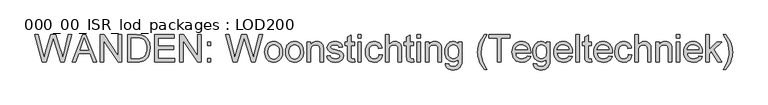
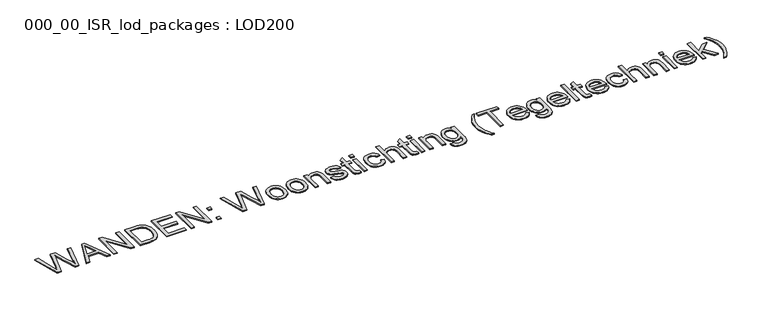
"""IFC4 building model written with IfcOpenShell, lengths in millimetres: proxy geometry, 000_00_ISR_lod_packages : LOD200."""

from ifc_helpers import new_model, si_unit, origin, origin_with_axes, place, context, project, spatial, polyline, outline, extrude, source, transform, mapped, element, save


def proxy_000_00_isr_lod_packages_lod200_f51c58be(model_context):
    return source(origin(), model_context, "Body", "SweptSolid", [
        extrude(outline(polyline([(730.4878058, 500.0), (512.4904484, 1299.3886983), (615.5366478, 1299.3886983), (742.002438, 774.009212), (781.0350893, 611.8285459), (822.8000261, 755.2735394), (981.2725904, 1299.3886983), (1129.7918285, 1299.3886983), (1244.9381498, 904.9637571), (1294.2656629, 758.5913148), (1330.6148194, 611.8285459), (1368.4764911, 769.3252939), (1496.1132608, 1299.3886983), (1599.1594602, 1299.3886983), (1380.9669395, 500.0), (1274.2126383, 500.0), (1082.5623204, 1116.7158903), (1055.8249543, 1202.7828864), (1025.7698128, 1099.1511972), (851.0986983, 500.0), (730.4878058, 500.0)])), origin_with_axes(), (0.0, 0.0, 1.0), 25.0),
        extrude(outline(polyline([(1605.9901742, 500.0), (1925.0820985, 1299.3886983), (2010.1732783, 1299.3886983), (2329.2652025, 500.0), (2223.6818808, 500.0), (2132.1503135, 749.8089682), (1802.9098999, 749.8089682), (1711.5734959, 500.0), (1605.9901742, 500.0)]), holes=[polyline([(1839.6005921, 849.7325555), (2095.6547846, 849.7325555), (2023.639543, 1046.2619548), (1967.6276884, 1199.465111), (1917.861058, 1063.4363213), (1839.6005921, 849.7325555)])]), origin_with_axes(), (0.0, 0.0, 1.0), 25.0),
        extrude(outline(polyline([(2436.0195038, 500.0), (2436.0195038, 1299.3886983), (2542.9689683, 1299.3886983), (2960.6183371, 666.0839312), (2960.6183371, 1299.3886983), (3060.5419244, 1299.3886983), (3060.5419244, 500.0), (2953.5924599, 500.0), (2535.9430911, 1133.4999304), (2535.9430911, 500.0), (2436.0195038, 500.0)])), origin_with_axes(), (0.0, 0.0, 1.0), 25.0),
        extrude(outline(polyline([(3235.4082021, 500.0), (3235.4082021, 1299.3886983), (3511.1738835, 1299.3886983), (3593.5815685, 1296.5100403), (3653.8382239, 1287.8740662), (3686.9427913, 1278.3720552), (3717.5590272, 1265.6742458), (3745.6869315, 1249.7806381), (3771.3265043, 1230.6912321), (3800.9547262, 1202.099815), (3826.6064967, 1169.8002961), (3848.2818159, 1133.7926753), (3865.9806837, 1094.0769526), (3879.7274955, 1051.0190591), (3889.5466469, 1004.984926), (3895.4381377, 955.9745532), (3897.401968, 903.9879408), (3892.0837692, 818.1892942), (3876.129173, 742.6855094), (3851.8313476, 678.4036118), (3821.4834612, 626.2706269), (3786.5492383, 585.1155752), (3748.4924033, 553.7674771), (3704.8002293, 530.5186542), (3652.9599893, 513.661428), (3592.8741017, 503.415357), (3524.4449849, 500.0), (3235.4082021, 500.0)]), holes=[polyline([(3335.3317894, 599.9235873), (3512.1496998, 599.9235873), (3585.2871301, 603.5341075), (3640.7622857, 614.3656683), (3682.6248043, 631.7839889), (3714.9243232, 655.1547889), (3733.3611521, 675.1895169), (3749.6389874, 698.4078456), (3763.7578293, 724.8097749), (3775.7176776, 754.3953048), (3785.2379852, 787.2254238), (3792.0382049, 823.3611205), (3797.4783807, 905.5492469), (3794.8131824, 963.5615248), (3786.8175878, 1014.450344), (3773.4915967, 1058.2157042), (3754.8352091, 1094.8576056), (3732.3609404, 1125.205492), (3707.5813057, 1150.0888072), (3680.496305, 1169.5075512), (3651.1059383, 1183.461724), (3625.7103196, 1190.4632058), (3593.6303593, 1195.4642643), (3509.4174142, 1199.465111), (3335.3317894, 1199.465111), (3335.3317894, 599.9235873)])]), origin_with_axes(), (0.0, 0.0, 1.0), 25.0),
        extrude(outline(polyline([(4034.7969005, 500.0), (4034.7969005, 1299.3886983), (4609.3575274, 1299.3886983), (4609.3575274, 1199.465111), (4134.7204878, 1199.465111), (4134.7204878, 962.1465912), (4584.3766306, 962.1465912), (4584.3766306, 862.2230039), (4134.7204878, 862.2230039), (4134.7204878, 599.9235873), (4621.8479758, 599.9235873), (4621.8479758, 500.0), (4034.7969005, 500.0)])), origin_with_axes(), (0.0, 0.0, 1.0), 25.0),
        extrude(outline(polyline([(4771.7333568, 500.0), (4771.7333568, 1299.3886983), (4878.6828213, 1299.3886983), (5296.3321901, 666.0839312), (5296.3321901, 1299.3886983), (5396.2557773, 1299.3886983), (5396.2557773, 500.0), (5289.3063128, 500.0), (4871.6569441, 1133.4999304), (4871.6569441, 500.0), (4771.7333568, 500.0)])), origin_with_axes(), (0.0, 0.0, 1.0), 25.0),
        extrude(outline(polyline([(5583.6125035, 500.0), (5583.6125035, 599.9235873), (5683.5360908, 599.9235873), (5683.5360908, 500.0), (5583.6125035, 500.0)])), origin_with_axes(), (0.0, 0.0, 1.0), 25.0),
        extrude(outline(polyline([(5583.6125035, 987.1274881), (5583.6125035, 1087.0510753), (5683.5360908, 1087.0510753), (5683.5360908, 987.1274881), (5583.6125035, 987.1274881)])), origin_with_axes(), (0.0, 0.0, 1.0), 25.0),
        extrude(outline(polyline([(6338.6991427, 500.0), (6120.7017852, 1299.3886983), (6223.7479846, 1299.3886983), (6350.2137748, 774.009212), (6389.2464261, 611.8285459), (6431.0113629, 755.2735394), (6589.4839272, 1299.3886983), (6738.0031653, 1299.3886983), (6853.1494866, 904.9637571), (6902.4769997, 758.5913148), (6938.8261562, 611.8285459), (6976.6878279, 769.3252939), (7104.3245976, 1299.3886983), (7207.370797, 1299.3886983), (6989.1782763, 500.0), (6882.4239751, 500.0), (6690.7736573, 1116.7158903), (6664.0362911, 1202.7828864), (6633.9811496, 1099.1511972), (6459.3100351, 500.0), (6338.6991427, 500.0)])), origin_with_axes(), (0.0, 0.0, 1.0), 25.0),
        extrude(outline(polyline([(7269.8230391, 793.5255377), (7275.2266217, 869.5538238), (7281.9811001, 903.6250591), (7291.4373697, 935.0676894), (7303.5954307, 963.8817146), (7318.455283, 990.0671346), (7336.0169267, 1013.6239495), (7356.2803617, 1034.5521594), (7394.3615921, 1062.9850063), (7436.3948784, 1083.2941827), (7482.3802207, 1095.4796885), (7532.317619, 1099.5415238), (7587.4451401, 1094.595355), (7637.2910555, 1079.7568486), (7681.8553654, 1055.0260047), (7721.1380696, 1020.4028233), (7753.1997333, 977.0582838), (7776.1009217, 926.1633658), (7789.8416347, 867.7180694), (7794.4218724, 801.7223944), (7792.3970536, 748.2354645), (7786.3225972, 700.7742001), (7776.1985033, 659.3386012), (7762.0247718, 623.9286678), (7743.9782694, 593.3429262), (7722.2358629, 566.3799026), (7696.7975522, 543.0395969), (7667.6633373, 523.3220091), (7635.9676047, 507.654059), (7602.8447408, 496.462666), (7568.2947455, 489.7478302), (7532.317619, 487.5095516), (7476.3850495, 492.4374238), (7426.0756213, 507.2210405), (7381.3893344, 531.8604016), (7342.3261888, 566.3555072), (7310.6060608, 610.1208674), (7287.9488265, 662.5709926), (7274.3544859, 723.7058827), (7269.8230391, 793.5255377)]), holes=[polyline([(7369.7466264, 793.7207009), (7372.6374821, 745.253126), (7381.3100493, 703.286927), (7395.764328, 667.822104), (7416.0003182, 638.858657), (7440.6152839, 616.3599928), (7468.2064892, 600.2895184), (7498.7739343, 590.6472338), (7532.317619, 587.4331389), (7565.6905358, 590.6655303), (7596.1360038, 600.3627046), (7623.654023, 616.5246618), (7648.2445933, 639.1514018), (7668.4805835, 668.4014949), (7682.9348621, 704.4335111), (7691.6074293, 747.2474505), (7694.4982851, 796.843313), (7691.5891328, 843.7739774), (7682.8616759, 884.642383), (7668.3159145, 919.44853), (7647.9518484, 948.1924184), (7623.2697953, 970.6910825), (7595.7700727, 986.7615569), (7565.4526806, 996.4038416), (7532.317619, 999.6179365), (7498.7739343, 996.4160393), (7468.2064892, 986.8103478), (7440.6152839, 970.8008619), (7416.0003182, 948.3875817), (7395.764328, 919.5095186), (7381.3100493, 884.1056841), (7372.6374821, 842.1760782), (7369.7466264, 793.7207009)])]), origin_with_axes(), (0.0, 0.0, 1.0), 25.0),
        extrude(outline(polyline([(7881.8550113, 793.5255377), (7887.2585939, 869.5538238), (7894.0130722, 903.6250591), (7903.4693419, 935.0676894), (7915.6274029, 963.8817146), (7930.4872552, 990.0671346), (7948.0488989, 1013.6239495), (7968.3123339, 1034.5521594), (8006.3935643, 1062.9850063), (8048.4268506, 1083.2941827), (8094.4121929, 1095.4796885), (8144.3495912, 1099.5415238), (8199.4771122, 1094.595355), (8249.3230277, 1079.7568486), (8293.8873375, 1055.0260047), (8333.1700417, 1020.4028233), (8365.2317055, 977.0582838), (8388.1328938, 926.1633658), (8401.8736069, 867.7180694), (8406.4538445, 801.7223944), (8404.4290258, 748.2354645), (8398.3545694, 700.7742001), (8388.2304755, 659.3386012), (8374.056744, 623.9286678), (8356.0102416, 593.3429262), (8334.2678351, 566.3799026), (8308.8295244, 543.0395969), (8279.6953095, 523.3220091), (8247.9995769, 507.654059), (8214.8767129, 496.462666), (8180.3267177, 489.7478302), (8144.3495912, 487.5095516), (8088.4170216, 492.4374238), (8038.1075934, 507.2210405), (7993.4213066, 531.8604016), (7954.358161, 566.3555072), (7922.638033, 610.1208674), (7899.9807987, 662.5709926), (7886.3864581, 723.7058827), (7881.8550113, 793.5255377)]), holes=[polyline([(7981.7785985, 793.7207009), (7984.6694543, 745.253126), (7993.3420215, 703.286927), (8007.7963002, 667.822104), (8028.0322903, 638.858657), (8052.647256, 616.3599928), (8080.2384614, 600.2895184), (8110.8059065, 590.6472338), (8144.3495912, 587.4331389), (8177.722508, 590.6655303), (8208.167976, 600.3627046), (8235.6859952, 616.5246618), (8260.2765655, 639.1514018), (8280.5125556, 668.4014949), (8294.9668343, 704.4335111), (8303.6394015, 747.2474505), (8306.5302572, 796.843313), (8303.621105, 843.7739774), (8294.8936481, 884.642383), (8280.3478866, 919.44853), (8259.9838206, 948.1924184), (8235.3017675, 970.6910825), (8207.8020449, 986.7615569), (8177.4846528, 996.4038416), (8144.3495912, 999.6179365), (8110.8059065, 996.4160393), (8080.2384614, 986.8103478), (8052.647256, 970.8008619), (8028.0322903, 948.3875817), (8007.7963002, 919.5095186), (7993.3420215, 884.1056841), (7984.6694543, 842.1760782), (7981.7785985, 793.7207009)])]), origin_with_axes(), (0.0, 0.0, 1.0), 25.0),
        extrude(outline(polyline([(8518.8678802, 500.0), (8518.8678802, 1087.0510753), (8618.7914675, 1087.0510753), (8618.7914675, 1005.0825076), (8635.2766639, 1027.2213395), (8653.5061318, 1046.4083272), (8673.4798713, 1062.6434706), (8695.1978824, 1075.9267697), (8718.6601652, 1086.2582246), (8743.8667195, 1093.6378352), (8799.512643, 1099.5415238), (8848.7669698, 1094.7844194), (8893.8740775, 1080.5131063), (8931.4917952, 1058.5084491), (8958.2779521, 1030.5513126), (8976.4525304, 996.714883), (8988.235512, 957.0723466), (8992.1875679, 919.161884), (8993.5049199, 860.4665346), (8993.5049199, 500.0), (8893.5813326, 500.0), (8893.5813326, 847.0002699), (8890.7026746, 898.6697421), (8882.0667005, 935.4092251), (8866.1364997, 961.7318693), (8841.3751615, 982.150825), (8809.6367369, 995.2511586), (8772.7752769, 999.6179365), (8742.4334893, 997.1661981), (8714.2506953, 989.8109828), (8688.2268949, 977.5522908), (8664.3620879, 960.3901219), (8644.4249415, 936.3728437), (8630.1841226, 903.5488235), (8621.6396313, 861.9180613), (8618.7914675, 811.4805573), (8618.7914675, 500.0), (8518.8678802, 500.0)])), origin_with_axes(), (0.0, 0.0, 1.0), 25.0),
        extrude(outline(polyline([(9093.4285072, 674.8662778), (9193.3520945, 687.3567262), (9199.3899577, 664.571416), (9209.1115274, 644.615973), (9222.5168036, 627.4903973), (9239.6057862, 613.1946887), (9260.4272662, 601.9240107), (9285.0300342, 593.8735263), (9313.4140903, 589.0432357), (9345.5794345, 587.4331389), (9377.7081856, 588.909061), (9405.3969726, 593.3368274), (9428.6457955, 600.716438), (9447.4546543, 611.0478929), (9461.9699215, 623.3675735), (9472.3379695, 636.7118611), (9478.5587983, 651.0807559), (9480.6324079, 666.4742577), (9478.5466006, 679.9649178), (9472.2891787, 691.9430627), (9461.8601422, 702.4086923), (9447.2594911, 711.3618067), (9409.8369367, 724.0474184), (9344.4084549, 739.8556422), (9253.2184234, 766.2270772), (9193.9375842, 788.7440379), (9155.8563538, 813.3102128), (9140.749498, 828.5756388), (9128.2651484, 845.8292904), (9111.5055038, 884.2276611), (9105.9189556, 926.4317153), (9110.4077105, 965.1472263), (9123.8739752, 1000.8864976), (9145.0979793, 1032.2345957), (9172.8599525, 1057.7765869), (9200.4511579, 1073.8531601), (9236.3855925, 1087.3438202), (9277.9309707, 1096.4920979), (9322.355007, 1099.5415238), (9387.3931622, 1094.6380469), (9443.9417157, 1079.9276165), (9489.4147545, 1056.8495614), (9507.0282384, 1042.712423), (9521.2263653, 1026.8432107), (9542.303997, 987.6885824), (9555.5750984, 937.1656944), (9455.6515111, 924.675246), (9450.8883079, 941.3678033), (9443.0390857, 956.1209257), (9432.1038445, 968.9346132), (9418.0825843, 979.8088659), (9400.9143165, 988.4753343), (9380.5380528, 994.6656688), (9330.1615372, 999.6179365), (9272.7835398, 994.8852275), (9251.2667908, 988.9693413), (9234.5315416, 980.6871006), (9213.0147926, 960.1949587), (9207.6356053, 948.7779082), (9205.8425429, 936.5802046), (9208.8187825, 921.2110982), (9217.7475015, 907.5008794), (9233.0190263, 895.2543851), (9255.0236835, 885.4474315), (9341.0906796, 864.1746365), (9429.3776577, 838.071551), (9487.7558668, 817.1402917), (9526.4957732, 794.6477264), (9555.8678433, 763.8607227), (9566.6689098, 745.332411), (9574.3839572, 724.681699), (9579.0129857, 701.9085865), (9580.5559952, 677.0130736), (9578.7446363, 652.0077814), (9573.3105593, 627.7343513), (9564.2537645, 604.1927835), (9551.5742516, 581.3830779), (9535.4793818, 560.2139635), (9516.176516, 541.594169), (9493.6656542, 525.5236946), (9467.9467963, 512.0025403), (9439.7213103, 501.2868577), (9409.6905642, 493.6327988), (9377.854558, 489.0403634), (9344.2132917, 487.5095516), (9290.4336168, 490.4613958), (9243.4602606, 499.3169286), (9203.2932228, 514.0761499), (9169.9325037, 534.7390596), (9142.682834, 561.2080763), (9120.8489447, 593.3856182), (9104.4308358, 631.2716854), (9093.4285072, 674.8662778)])), origin_with_axes(), (0.0, 0.0, 1.0), 25.0),
        extrude(outline(polyline([(9905.3076539, 583.3347105), (9917.7981023, 497.0725512), (9878.2287521, 489.9003015), (9843.0505751, 487.5095516), (9795.0892049, 491.6567708), (9759.3255381, 504.0984284), (9734.0518964, 523.2732183), (9717.5606012, 547.6198346), (9708.4855098, 589.4335623), (9705.4604793, 661.0096866), (9705.4604793, 987.1274881), (9630.5177889, 987.1274881), (9630.5177889, 1087.0510753), (9705.4604793, 1087.0510753), (9705.4604793, 1229.7154158), (9805.3840666, 1288.459556), (9805.3840666, 1087.0510753), (9905.3076539, 1087.0510753), (9905.3076539, 987.1274881), (9805.3840666, 987.1274881), (9805.3840666, 663.9371354), (9806.7014186, 631.0521267), (9810.6534746, 612.4140357), (9817.5573748, 602.0947785), (9827.7302595, 594.1662712), (9842.1479451, 589.116422), (9861.7862477, 587.4331389), (9905.3076539, 583.3347105)])), origin_with_axes(), (0.0, 0.0, 1.0), 25.0),
        extrude(outline(polyline([(10005.2312412, 500.0), (10005.2312412, 1087.0510753), (10105.1548285, 1087.0510753), (10105.1548285, 500.0), (10005.2312412, 500.0)])), origin_with_axes(), (0.0, 0.0, 1.0), 25.0),
        extrude(outline(polyline([(10005.2312412, 1199.465111), (10005.2312412, 1299.3886983), (10105.1548285, 1299.3886983), (10105.1548285, 1199.465111), (10005.2312412, 1199.465111)])), origin_with_axes(), (0.0, 0.0, 1.0), 25.0),
        extrude(outline(polyline([(10629.7536618, 712.337623), (10729.6772491, 699.8471746), (10718.8090953, 652.6969516), (10701.8176942, 610.9747067), (10678.7030461, 574.6804398), (10649.4651507, 543.8141511), (10615.3359762, 519.1808888), (10577.5474907, 501.5857015), (10536.0996941, 491.0285891), (10490.9925865, 487.5095516), (10434.9502376, 492.4191273), (10384.7017979, 507.1478543), (10340.2472674, 531.6957326), (10301.5866461, 566.0627623), (10270.2934377, 609.602465), (10247.941146, 661.6683625), (10234.529771, 722.2604548), (10230.0593126, 791.3787419), (10231.9682532, 837.3213922), (10237.695075, 880.3000006), (10247.239778, 920.314567), (10260.6023623, 957.3650914), (10277.8743105, 990.707514), (10299.1471054, 1019.5977748), (10324.4207471, 1044.0358739), (10353.6952356, 1064.0218111), (10385.64712, 1079.5616854), (10418.9529495, 1090.6615956), (10453.612724, 1097.3215417), (10489.6264437, 1099.5415238), (10533.9589972, 1096.4920979), (10574.0589475, 1087.3438202), (10609.9262947, 1072.0966908), (10641.5610388, 1050.7507096), (10668.4264808, 1023.7937849), (10689.9859218, 991.7138246), (10706.2393618, 954.5108288), (10717.1868007, 912.1847976), (10617.2632134, 899.6943492), (10609.462782, 923.0346549), (10599.137426, 943.2889416), (10586.2871453, 960.4572093), (10570.91194, 974.539458), (10553.4021366, 985.5112923), (10534.1480616, 993.3483169), (10513.1497149, 998.0505316), (10490.4070967, 999.6179365), (10456.4547889, 996.5319175), (10425.8324542, 987.2738605), (10398.5400926, 971.8437655), (10374.577704, 950.2416326), (10355.0674772, 921.9673558), (10341.1316009, 886.5208294), (10332.7700752, 843.9020532), (10329.9828999, 794.1110274), (10332.7090867, 743.5698429), (10340.8876469, 700.4570598), (10354.5185806, 664.7726781), (10373.6018877, 636.5166979), (10397.0885659, 615.0426408), (10423.9296125, 599.7040286), (10454.1250276, 590.5008613), (10487.6748111, 587.4331389), (10514.711021, 589.3481783), (10539.4174695, 595.0932967), (10561.7941566, 604.668494), (10581.8410823, 618.0737701), (10598.9971524, 635.4554977), (10612.7012723, 656.960049), (10622.9534421, 682.5874241), (10629.7536618, 712.337623)])), origin_with_axes(), (0.0, 0.0, 1.0), 25.0),
        extrude(outline(polyline([(10817.110388, 500.0), (10817.110388, 1299.3886983), (10917.0339753, 1299.3886983), (10917.0339753, 1005.4728342), (10953.7368652, 1046.6278859), (10994.9529054, 1076.0243514), (11040.6820959, 1093.6622307), (11090.9244367, 1099.5415238), (11122.1627555, 1097.9375257), (11151.2786738, 1093.1255317), (11178.2721917, 1085.1055416), (11203.1433092, 1073.8775555), (11225.2577457, 1059.8197022), (11243.9812206, 1043.3101105), (11259.3137339, 1024.3487804), (11271.2552857, 1002.9357118), (11280.2205978, 977.747454), (11286.6243921, 947.4605562), (11291.7474276, 871.5908402), (11291.7474276, 500.0), (11191.8238403, 500.0), (11191.8238403, 861.2471877), (11189.8356146, 894.9860356), (11183.8709376, 923.7970113), (11173.9298093, 947.6801148), (11160.0122295, 966.6353461), (11142.4475364, 981.0652294), (11121.565068, 991.3722889), (11097.3648242, 997.5565246), (11069.8468051, 999.6179365), (11027.6183554, 994.0557837), (10987.975819, 977.3693252), (10970.1793695, 965.2570056), (10955.1396011, 951.1686581), (10942.8565136, 935.1042825), (10933.3301072, 917.063879), (10921.1080082, 871.7372127), (10917.0339753, 811.8708838), (10917.0339753, 500.0), (10817.110388, 500.0)])), origin_with_axes(), (0.0, 0.0, 1.0), 25.0),
        extrude(outline(polyline([(11641.4799831, 583.3347105), (11653.9704316, 497.0725512), (11614.4010813, 489.9003015), (11579.2229043, 487.5095516), (11531.2615341, 491.6567708), (11495.4978673, 504.0984284), (11470.2242256, 523.2732183), (11453.7329305, 547.6198346), (11444.657839, 589.4335623), (11441.6328086, 661.0096866), (11441.6328086, 987.1274881), (11366.6901181, 987.1274881), (11366.6901181, 1087.0510753), (11441.6328086, 1087.0510753), (11441.6328086, 1229.7154158), (11541.5563958, 1288.459556), (11541.5563958, 1087.0510753), (11641.4799831, 1087.0510753), (11641.4799831, 987.1274881), (11541.5563958, 987.1274881), (11541.5563958, 663.9371354), (11542.8737478, 631.0521267), (11546.8258038, 612.4140357), (11553.729704, 602.0947785), (11563.9025887, 594.1662712), (11578.3202743, 589.116422), (11597.958577, 587.4331389), (11641.4799831, 583.3347105)])), origin_with_axes(), (0.0, 0.0, 1.0), 25.0),
        extrude(outline(polyline([(11741.4035704, 500.0), (11741.4035704, 1087.0510753), (11841.3271577, 1087.0510753), (11841.3271577, 500.0), (11741.4035704, 500.0)])), origin_with_axes(), (0.0, 0.0, 1.0), 25.0),
        extrude(outline(polyline([(11741.4035704, 1199.465111), (11741.4035704, 1299.3886983), (11841.3271577, 1299.3886983), (11841.3271577, 1199.465111), (11741.4035704, 1199.465111)])), origin_with_axes(), (0.0, 0.0, 1.0), 25.0),
        extrude(outline(polyline([(11991.2125387, 500.0), (11991.2125387, 1087.0510753), (12091.136126, 1087.0510753), (12091.136126, 1005.0825076), (12107.6213223, 1027.2213395), (12125.8507902, 1046.4083272), (12145.8245297, 1062.6434706), (12167.5425409, 1075.9267697), (12191.0048236, 1086.2582246), (12216.2113779, 1093.6378352), (12271.8573014, 1099.5415238), (12321.1116283, 1094.7844194), (12366.2187359, 1080.5131063), (12403.8364536, 1058.5084491), (12430.6226105, 1030.5513126), (12448.7971888, 996.714883), (12460.5801704, 957.0723466), (12464.5322263, 919.161884), (12465.8495783, 860.4665346), (12465.8495783, 500.0), (12365.925991, 500.0), (12365.925991, 847.0002699), (12363.047333, 898.6697421), (12354.4113589, 935.4092251), (12338.4811581, 961.7318693), (12313.7198199, 982.150825), (12281.9813953, 995.2511586), (12245.1199353, 999.6179365), (12214.7781478, 997.1661981), (12186.5953538, 989.8109828), (12160.5715533, 977.5522908), (12136.7067463, 960.3901219), (12116.7695999, 936.3728437), (12102.5287811, 903.5488235), (12093.9842897, 861.9180613), (12091.136126, 811.4805573), (12091.136126, 500.0), (11991.2125387, 500.0)])), origin_with_axes(), (0.0, 0.0, 1.0), 25.0),
        extrude(outline(polyline([(12578.263614, 450.0382064), (12678.1872013, 437.5477579), (12682.4076067, 420.7149271), (12689.2139253, 406.3216369), (12698.606157, 394.3678875), (12710.5843019, 384.8536787), (12729.9664528, 375.1199113), (12752.5931928, 368.1672203), (12807.5804403, 362.6050675), (12838.7821659, 364.1785712), (12866.2269989, 368.8990825), (12889.9149391, 376.7666013), (12909.8459867, 387.7811276), (12926.4348635, 401.6377188), (12940.0962914, 418.0314323), (12950.8302705, 436.9622682), (12958.6368008, 458.4302264), (12964.0525812, 501.4149336), (12965.4675148, 574.9426905), (12932.216575, 542.1552634), (12895.1111608, 518.7356726), (12854.1512724, 504.6839182), (12809.3369096, 500.0), (12754.5509242, 505.4523735), (12706.3151056, 521.8094939), (12684.6535089, 534.0773342), (12664.6294538, 549.0713613), (12629.4939688, 587.2379756), (12601.6161174, 633.0281547), (12581.7033664, 683.1607162), (12569.7557158, 737.6356601), (12565.7731656, 796.4529865), (12567.5601292, 837.6019394), (12572.9210199, 877.1285976), (12581.8558377, 915.0329614), (12594.3645827, 951.3150305), (12610.2581904, 984.7672324), (12629.3475964, 1014.1819945), (12651.6328007, 1039.5593167), (12677.1138034, 1060.899199), (12705.3819813, 1077.8052161), (12736.0287114, 1089.8809426), (12769.0539937, 1097.1263785), (12804.4578282, 1099.5415238), (12851.1872304, 1094.0769526), (12893.5986456, 1077.683239), (12931.6920737, 1050.3603831), (12965.4675148, 1012.1083849), (12965.4675148, 1087.0510753), (13065.3911021, 1087.0510753), (13065.3911021, 580.2120984), (13063.6834236, 516.704755), (13058.5603881, 463.1873308), (13050.0219956, 419.6598257), (13038.0682462, 386.1222399), (13022.4124937, 359.0738323), (13002.7680922, 335.0138621), (12979.1350416, 313.9423293), (12951.5133419, 295.8592338), (12920.1835404, 281.3439666), (12885.4261842, 270.9759186), (12847.2412733, 264.7550898), (12805.6288078, 262.6814802), (12756.6733246, 265.6028302), (12712.6579115, 274.3668802), (12673.5825682, 288.9736301), (12639.4472949, 309.4230801), (12611.8743861, 335.7396255), (12592.4861363, 367.9476616), (12581.2825456, 406.0471886), (12578.263614, 450.0382064)]), holes=[polyline([(12665.6967529, 803.2837005), (12668.3619511, 753.8769024), (12676.3575458, 711.6301562), (12689.6835369, 676.543462), (12708.3399244, 648.6168198), (12731.0215541, 627.3135306), (12756.4232717, 612.0968954), (12784.5450772, 602.9669143), (12815.3869706, 599.9235873), (12845.9239214, 602.9486178), (12873.9115521, 612.0237092), (12899.3498628, 627.1488616), (12922.2388535, 648.3240749), (12941.1513928, 675.9762688), (12954.6603494, 710.5323629), (12962.7657234, 751.9923572), (12965.4675148, 800.3562516), (12962.6864384, 846.7014262), (12954.3432092, 886.9843421), (12940.4378271, 921.2049993), (12920.9702923, 949.3633979), (12897.5872946, 971.3497585), (12871.9355241, 987.0543018), (12844.0149808, 996.4770278), (12813.8256645, 999.6179365), (12784.142553, 996.5258186), (12756.7648074, 987.2494651), (12731.6924278, 971.7888759), (12708.9254142, 950.144051), (12690.0128749, 922.412572), (12676.5039182, 888.6920206), (12668.3985442, 848.9823968), (12665.6967529, 803.2837005)])]), origin_with_axes(), (0.0, 0.0, 1.0), 25.0),
        extrude(outline(polyline([(13727.3848679, 275.1719286), (13687.0470623, 327.365902), (13649.9538459, 383.8290716), (13616.1052186, 444.5614375), (13585.5011805, 509.5629996), (13560.1421548, 577.309045), (13542.0285651, 646.2748607), (13531.1604112, 716.4604468), (13527.5376933, 787.8658032), (13530.2455835, 850.6229879), (13538.369254, 912.0384251), (13551.9087049, 972.112115), (13570.8639362, 1030.8440575), (13599.674912, 1098.1997764), (13635.3653925, 1165.4091228), (13677.9353778, 1232.4720968), (13727.3848679, 1299.3886983), (13802.3275583, 1299.3886983), (13743.5346273, 1204.3929833), (13708.8443585, 1141.1112974), (13676.9351661, 1065.9734437), (13652.6373407, 987.7129778), (13633.7552956, 887.7405997), (13627.4612806, 787.2803135), (13630.1935662, 723.2240734), (13638.3904229, 659.180031), (13652.0518509, 595.1481864), (13671.17785, 531.1285394), (13695.7684203, 467.1210901), (13725.8235618, 403.1258386), (13761.3432745, 339.1427847), (13802.3275583, 275.1719286), (13727.3848679, 275.1719286)])), origin_with_axes(), (0.0, 0.0, 1.0), 25.0),
        extrude(outline(polyline([(14114.5887686, 500.0), (14114.5887686, 1199.465111), (13852.289352, 1199.465111), (13852.289352, 1299.3886983), (14476.8117726, 1299.3886983), (14476.8117726, 1199.465111), (14214.5123559, 1199.465111), (14214.5123559, 500.0), (14114.5887686, 500.0)])), origin_with_axes(), (0.0, 0.0, 1.0), 25.0),
        extrude(outline(polyline([(14987.7491779, 674.8662778), (15085.7211326, 662.3758294), (15070.6996607, 623.1358171), (15050.4209786, 588.5553276), (15024.8850863, 558.6343609), (14994.0919837, 533.3729168), (14958.3588113, 513.3076945), (14918.0027091, 498.9753929), (14873.0236774, 490.3760119), (14823.421716, 487.5095516), (14761.420789, 492.4557204), (14706.1773897, 507.2942267), (14657.6915182, 532.0250706), (14615.9631744, 566.6482521), (14582.407292, 610.2001525), (14558.4388046, 661.7171534), (14544.0577121, 721.1992546), (14539.2640146, 788.6464563), (14544.1065029, 858.3807273), (14558.6339678, 919.8449554), (14582.8464093, 973.0391405), (14598.5844963, 996.5349669), (14616.7438274, 1017.9632826), (14658.3623919, 1053.6537631), (14705.7382724, 1079.1469635), (14758.8714689, 1094.4428837), (14817.7619816, 1099.5415238), (14874.7557513, 1094.4550814), (14926.2971475, 1079.1957543), (14972.3861703, 1053.7635424), (15013.0228196, 1018.1584458), (15046.1944744, 973.3318854), (15069.8885135, 920.2352819), (15084.1049369, 858.8686355), (15088.8437447, 789.231946), (15088.258255, 762.2994166), (14639.1876019, 762.2994166), (14644.9754122, 722.4251238), (14656.4839455, 687.5030986), (14673.7132018, 657.5333411), (14696.6631809, 632.5158511), (14724.0653219, 612.7921645), (14754.6510635, 598.7038169), (14788.4204057, 590.2508084), (14825.3733486, 587.4331389), (14878.5553359, 592.653756), (14923.3453033, 608.3156073), (14942.5932795, 620.3059499), (14959.7432506, 635.3945091), (14974.7952168, 653.5812851), (14987.7491779, 674.8662778)]), holes=[polyline([(14639.1876019, 862.2230039), (14988.9201574, 862.2230039), (14983.7849243, 890.4972807), (14975.4051019, 915.0146648), (14963.7806905, 935.7751562), (14948.9116899, 952.7787549), (14921.6620202, 973.2708968), (14890.6554578, 987.9081411), (14855.8920028, 996.6904876), (14817.371655, 999.6179365), (14782.23617, 997.2820762), (14750.0159362, 990.2744956), (14720.7109534, 978.5951944), (14694.3212219, 962.2441729), (14672.1762911, 941.9776884), (14655.6057109, 918.5519988), (14644.6094811, 891.967104), (14639.1876019, 862.2230039)])]), origin_with_axes(), (0.0, 0.0, 1.0), 25.0),
        extrude(outline(polyline([(15163.7864352, 450.0382064), (15263.7100225, 437.5477579), (15267.9304279, 420.7149271), (15274.7367465, 406.3216369), (15284.1289782, 394.3678875), (15296.1071231, 384.8536787), (15315.489274, 375.1199113), (15338.116014, 368.1672203), (15393.1032615, 362.6050675), (15424.3049871, 364.1785712), (15451.7498201, 368.8990825), (15475.4377603, 376.7666013), (15495.3688079, 387.7811276), (15511.9576847, 401.6377188), (15525.6191126, 418.0314323), (15536.3530917, 436.9622682), (15544.159622, 458.4302264), (15549.5754024, 501.4149336), (15550.990336, 574.9426905), (15517.7393962, 542.1552634), (15480.633982, 518.7356726), (15439.6740936, 504.6839182), (15394.8597308, 500.0), (15340.0737454, 505.4523735), (15291.8379268, 521.8094939), (15270.1763301, 534.0773342), (15250.152275, 549.0713613), (15215.01679, 587.2379756), (15187.1389386, 633.0281547), (15167.2261876, 683.1607162), (15155.278537, 737.6356601), (15151.2959868, 796.4529865), (15153.0829504, 837.6019394), (15158.4438411, 877.1285976), (15167.3786589, 915.0329614), (15179.8874039, 951.3150305), (15195.7810116, 984.7672324), (15214.8704176, 1014.1819945), (15237.1556219, 1039.5593167), (15262.6366246, 1060.899199), (15290.9048025, 1077.8052161), (15321.5515326, 1089.8809426), (15354.5768149, 1097.1263785), (15389.9806494, 1099.5415238), (15436.7100516, 1094.0769526), (15479.1214668, 1077.683239), (15517.2148949, 1050.3603831), (15550.990336, 1012.1083849), (15550.990336, 1087.0510753), (15650.9139233, 1087.0510753), (15650.9139233, 580.2120984), (15649.2062448, 516.704755), (15644.0832093, 463.1873308), (15635.5448168, 419.6598257), (15623.5910674, 386.1222399), (15607.9353149, 359.0738323), (15588.2909134, 335.0138621), (15564.6578628, 313.9423293), (15537.0361631, 295.8592338), (15505.7063616, 281.3439666), (15470.9490054, 270.9759186), (15432.7640945, 264.7550898), (15391.151629, 262.6814802), (15342.1961458, 265.6028302), (15298.1807327, 274.3668802), (15259.1053894, 288.9736301), (15224.9701161, 309.4230801), (15197.3972073, 335.7396255), (15178.0089575, 367.9476616), (15166.8053668, 406.0471886), (15163.7864352, 450.0382064)]), holes=[polyline([(15251.2195741, 803.2837005), (15253.8847723, 753.8769024), (15261.880367, 711.6301562), (15275.2063581, 676.543462), (15293.8627456, 648.6168198), (15316.5443753, 627.3135306), (15341.9460929, 612.0968954), (15370.0678984, 602.9669143), (15400.9097918, 599.9235873), (15431.4467426, 602.9486178), (15459.4343733, 612.0237092), (15484.872684, 627.1488616), (15507.7616747, 648.3240749), (15526.674214, 675.9762688), (15540.1831706, 710.5323629), (15548.2885446, 751.9923572), (15550.990336, 800.3562516), (15548.2092596, 846.7014262), (15539.8660304, 886.9843421), (15525.9606483, 921.2049993), (15506.4931135, 949.3633979), (15483.1101158, 971.3497585), (15457.4583453, 987.0543018), (15429.537802, 996.4770278), (15399.3484857, 999.6179365), (15369.6653742, 996.5258186), (15342.2876286, 987.2494651), (15317.215249, 971.7888759), (15294.4482354, 950.144051), (15275.5356961, 922.412572), (15262.0267394, 888.6920206), (15253.9213654, 848.9823968), (15251.2195741, 803.2837005)])]), origin_with_axes(), (0.0, 0.0, 1.0), 25.0),
        extrude(outline(polyline([(16211.8131222, 674.8662778), (16309.785077, 662.3758294), (16294.7636051, 623.1358171), (16274.484923, 588.5553276), (16248.9490306, 558.6343609), (16218.1559281, 533.3729168), (16182.4227556, 513.3076945), (16142.0666535, 498.9753929), (16097.0876217, 490.3760119), (16047.4856603, 487.5095516), (15985.4847333, 492.4557204), (15930.241334, 507.2942267), (15881.7554625, 532.0250706), (15840.0271187, 566.6482521), (15806.4712363, 610.2001525), (15782.5027489, 661.7171534), (15768.1216565, 721.1992546), (15763.327959, 788.6464563), (15768.1704473, 858.3807273), (15782.6979122, 919.8449554), (15806.9103537, 973.0391405), (15822.6484406, 996.5349669), (15840.8077718, 1017.9632826), (15882.4263362, 1053.6537631), (15929.8022167, 1079.1469635), (15982.9354133, 1094.4428837), (16041.8259259, 1099.5415238), (16098.8196956, 1094.4550814), (16150.3610919, 1079.1957543), (16196.4501147, 1053.7635424), (16237.086764, 1018.1584458), (16270.2584187, 973.3318854), (16293.9524578, 920.2352819), (16308.1688813, 858.8686355), (16312.9076891, 789.231946), (16312.3221993, 762.2994166), (15863.2515463, 762.2994166), (15869.0393566, 722.4251238), (15880.5478899, 687.5030986), (15897.7771461, 657.5333411), (15920.7271253, 632.5158511), (15948.1292663, 612.7921645), (15978.7150078, 598.7038169), (16012.4843501, 590.2508084), (16049.4372929, 587.4331389), (16102.6192803, 592.653756), (16147.4092476, 608.3156073), (16166.6572238, 620.3059499), (16183.8071949, 635.3945091), (16198.8591611, 653.5812851), (16211.8131222, 674.8662778)]), holes=[polyline([(15863.2515463, 862.2230039), (16212.9841018, 862.2230039), (16207.8488686, 890.4972807), (16199.4690463, 915.0146648), (16187.8446348, 935.7751562), (16172.9756342, 952.7787549), (16145.7259645, 973.2708968), (16114.7194022, 987.9081411), (16079.9559471, 996.6904876), (16041.4355994, 999.6179365), (16006.3001144, 997.2820762), (15974.0798805, 990.2744956), (15944.7748978, 978.5951944), (15918.3851662, 962.2441729), (15896.2402354, 941.9776884), (15879.6696552, 918.5519988), (15868.6734255, 891.967104), (15863.2515463, 862.2230039)])]), origin_with_axes(), (0.0, 0.0, 1.0), 25.0),
        extrude(outline(polyline([(16874.9778676, 583.3347105), (16887.468316, 497.0725512), (16847.8989658, 489.9003015), (16812.7207888, 487.5095516), (16764.7594185, 491.6567708), (16728.9957518, 504.0984284), (16703.7221101, 523.2732183), (16687.2308149, 547.6198346), (16678.1557235, 589.4335623), (16675.130693, 661.0096866), (16675.130693, 987.1274881), (16600.1880025, 987.1274881), (16600.1880025, 1087.0510753), (16675.130693, 1087.0510753), (16675.130693, 1229.7154158), (16775.0542803, 1288.459556), (16775.0542803, 1087.0510753), (16874.9778676, 1087.0510753), (16874.9778676, 987.1274881), (16775.0542803, 987.1274881), (16775.0542803, 663.9371354), (16776.3716323, 631.0521267), (16780.3236882, 612.4140357), (16787.2275884, 602.0947785), (16797.4004732, 594.1662712), (16811.8181587, 589.116422), (16831.4564614, 587.4331389), (16874.9778676, 583.3347105)])), origin_with_axes(), (0.0, 0.0, 1.0), 25.0),
        extrude(outline(polyline([(17385.9152729, 674.8662778), (17483.8872277, 662.3758294), (17468.8657558, 623.1358171), (17448.5870737, 588.5553276), (17423.0511813, 558.6343609), (17392.2580788, 533.3729168), (17356.5249063, 513.3076945), (17316.1688042, 498.9753929), (17271.1897724, 490.3760119), (17221.587811, 487.5095516), (17159.586884, 492.4557204), (17104.3434847, 507.2942267), (17055.8576132, 532.0250706), (17014.1292694, 566.6482521), (16980.573387, 610.2001525), (16956.6048996, 661.7171534), (16942.2238071, 721.1992546), (16937.4301097, 788.6464563), (16942.272598, 858.3807273), (16956.8000629, 919.8449554), (16981.0125044, 973.0391405), (16996.7505913, 996.5349669), (17014.9099225, 1017.9632826), (17056.5284869, 1053.6537631), (17103.9043674, 1079.1469635), (17157.037564, 1094.4428837), (17215.9280766, 1099.5415238), (17272.9218463, 1094.4550814), (17324.4632426, 1079.1957543), (17370.5522653, 1053.7635424), (17411.1889146, 1018.1584458), (17444.3605694, 973.3318854), (17468.0546085, 920.2352819), (17482.2710319, 858.8686355), (17487.0098398, 789.231946), (17486.42435, 762.2994166), (17037.353697, 762.2994166), (17043.1415073, 722.4251238), (17054.6500406, 687.5030986), (17071.8792968, 657.5333411), (17094.829276, 632.5158511), (17122.2314169, 612.7921645), (17152.8171585, 598.7038169), (17186.5865008, 590.2508084), (17223.5394436, 587.4331389), (17276.721431, 592.653756), (17321.5113983, 608.3156073), (17340.7593745, 620.3059499), (17357.9093456, 635.3945091), (17372.9613118, 653.5812851), (17385.9152729, 674.8662778)]), holes=[polyline([(17037.353697, 862.2230039), (17387.0862525, 862.2230039), (17381.9510193, 890.4972807), (17373.571197, 915.0146648), (17361.9467855, 935.7751562), (17347.0777849, 952.7787549), (17319.8281152, 973.2708968), (17288.8215529, 987.9081411), (17254.0580978, 996.6904876), (17215.5377501, 999.6179365), (17180.4022651, 997.2820762), (17148.1820312, 990.2744956), (17118.8770485, 978.5951944), (17092.4873169, 962.2441729), (17070.3423861, 941.9776884), (17053.7718059, 918.5519988), (17042.7755762, 891.967104), (17037.353697, 862.2230039)])]), origin_with_axes(), (0.0, 0.0, 1.0), 25.0),
        extrude(outline(polyline([(17961.6468794, 712.337623), (18061.5704667, 699.8471746), (18050.7023129, 652.6969516), (18033.7109118, 610.9747067), (18010.5962637, 574.6804398), (17981.3583683, 543.8141511), (17947.2291938, 519.1808888), (17909.4407083, 501.5857015), (17867.9929117, 491.0285891), (17822.8858041, 487.5095516), (17766.8434552, 492.4191273), (17716.5950156, 507.1478543), (17672.140485, 531.6957326), (17633.4798637, 566.0627623), (17602.1866553, 609.602465), (17579.8343636, 661.6683625), (17566.4229886, 722.2604548), (17561.9525302, 791.3787419), (17563.8614708, 837.3213922), (17569.5882926, 880.3000006), (17579.1329957, 920.314567), (17592.4955799, 957.3650914), (17609.7675281, 990.707514), (17631.040323, 1019.5977748), (17656.3139647, 1044.0358739), (17685.5884532, 1064.0218111), (17717.5403376, 1079.5616854), (17750.8461671, 1090.6615956), (17785.5059416, 1097.3215417), (17821.5196613, 1099.5415238), (17865.8522148, 1096.4920979), (17905.9521651, 1087.3438202), (17941.8195123, 1072.0966908), (17973.4542564, 1050.7507096), (18000.3196984, 1023.7937849), (18021.8791394, 991.7138246), (18038.1325794, 954.5108288), (18049.0800183, 912.1847976), (17949.156431, 899.6943492), (17941.3559996, 923.0346549), (17931.0306436, 943.2889416), (17918.1803629, 960.4572093), (17902.8051576, 974.539458), (17885.2953542, 985.5112923), (17866.0412792, 993.3483169), (17845.0429325, 998.0505316), (17822.3003143, 999.6179365), (17788.3480065, 996.5319175), (17757.7256718, 987.2738605), (17730.4333102, 971.8437655), (17706.4709216, 950.2416326), (17686.9606948, 921.9673558), (17673.0248186, 886.5208294), (17664.6632928, 843.9020532), (17661.8761175, 794.1110274), (17664.6023043, 743.5698429), (17672.7808645, 700.4570598), (17686.4117982, 664.7726781), (17705.4951053, 636.5166979), (17728.9817835, 615.0426408), (17755.8228301, 599.7040286), (17786.0182452, 590.5008613), (17819.5680287, 587.4331389), (17846.6042386, 589.3481783), (17871.3106871, 595.0932967), (17893.6873742, 604.668494), (17913.7343, 618.0737701), (17930.89037, 635.4554977), (17944.5944899, 656.960049), (17954.8466597, 682.5874241), (17961.6468794, 712.337623)])), origin_with_axes(), (0.0, 0.0, 1.0), 25.0),
        extrude(outline(polyline([(18149.0036056, 500.0), (18149.0036056, 1299.3886983), (18248.9271929, 1299.3886983), (18248.9271929, 1005.4728342), (18285.6300828, 1046.6278859), (18326.846123, 1076.0243514), (18372.5753135, 1093.6622307), (18422.8176544, 1099.5415238), (18454.0559731, 1097.9375257), (18483.1718914, 1093.1255317), (18510.1654093, 1085.1055416), (18535.0365268, 1073.8775555), (18557.1509633, 1059.8197022), (18575.8744382, 1043.3101105), (18591.2069515, 1024.3487804), (18603.1485033, 1002.9357118), (18612.1138154, 977.747454), (18618.5176097, 947.4605562), (18623.6406452, 871.5908402), (18623.6406452, 500.0), (18523.7170579, 500.0), (18523.7170579, 861.2471877), (18521.7288323, 894.9860356), (18515.7641552, 923.7970113), (18505.8230269, 947.6801148), (18491.9054471, 966.6353461), (18474.3407541, 981.0652294), (18453.4582856, 991.3722889), (18429.2580418, 997.5565246), (18401.7400227, 999.6179365), (18359.5115731, 994.0557837), (18319.8690366, 977.3693252), (18302.0725871, 965.2570056), (18287.0328187, 951.1686581), (18274.7497312, 935.1042825), (18265.2233248, 917.063879), (18253.0012259, 871.7372127), (18248.9271929, 811.8708838), (18248.9271929, 500.0), (18149.0036056, 500.0)])), origin_with_axes(), (0.0, 0.0, 1.0), 25.0),
        extrude(outline(polyline([(18761.0355778, 500.0), (18761.0355778, 1087.0510753), (18860.959165, 1087.0510753), (18860.959165, 1005.0825076), (18877.4443614, 1027.2213395), (18895.6738293, 1046.4083272), (18915.6475688, 1062.6434706), (18937.3655799, 1075.9267697), (18960.8278627, 1086.2582246), (18986.034417, 1093.6378352), (19041.6803405, 1099.5415238), (19090.9346673, 1094.7844194), (19136.041775, 1080.5131063), (19173.6594927, 1058.5084491), (19200.4456496, 1030.5513126), (19218.6202279, 996.714883), (19230.4032095, 957.0723466), (19234.3552654, 919.161884), (19235.6726174, 860.4665346), (19235.6726174, 500.0), (19135.7490301, 500.0), (19135.7490301, 847.0002699), (19132.8703721, 898.6697421), (19124.234398, 935.4092251), (19108.3041972, 961.7318693), (19083.542859, 982.150825), (19051.8044344, 995.2511586), (19014.9429744, 999.6179365), (18984.6011868, 997.1661981), (18956.4183928, 989.8109828), (18930.3945924, 977.5522908), (18906.5297854, 960.3901219), (18886.592639, 936.3728437), (18872.3518201, 903.5488235), (18863.8073288, 861.9180613), (18860.959165, 811.4805573), (18860.959165, 500.0), (18761.0355778, 500.0)])), origin_with_axes(), (0.0, 0.0, 1.0), 25.0),
        extrude(outline(polyline([(20033.8903362, 674.8662778), (20131.8622909, 662.3758294), (20116.840819, 623.1358171), (20096.5621369, 588.5553276), (20071.0262446, 558.6343609), (20040.233142, 533.3729168), (20004.4999695, 513.3076945), (19964.1438674, 498.9753929), (19919.1648357, 490.3760119), (19869.5628743, 487.5095516), (19807.5619473, 492.4557204), (19752.318548, 507.2942267), (19703.8326765, 532.0250706), (19662.1043327, 566.6482521), (19628.5484503, 610.2001525), (19604.5799629, 661.7171534), (19590.1988704, 721.1992546), (19585.4051729, 788.6464563), (19590.2476612, 858.3807273), (19604.7751261, 919.8449554), (19628.9875676, 973.0391405), (19644.7256546, 996.5349669), (19662.8849857, 1017.9632826), (19704.5035502, 1053.6537631), (19751.8794307, 1079.1469635), (19805.0126272, 1094.4428837), (19863.9031398, 1099.5415238), (19920.8969096, 1094.4550814), (19972.4383058, 1079.1957543), (20018.5273286, 1053.7635424), (20059.1639779, 1018.1584458), (20092.3356326, 973.3318854), (20116.0296717, 920.2352819), (20130.2460952, 858.8686355), (20134.984903, 789.231946), (20134.3994133, 762.2994166), (19685.3287602, 762.2994166), (19691.1165705, 722.4251238), (19702.6251038, 687.5030986), (19719.85436, 657.5333411), (19742.8043392, 632.5158511), (19770.2064802, 612.7921645), (19800.7922218, 598.7038169), (19834.561564, 590.2508084), (19871.5145068, 587.4331389), (19924.6964942, 592.653756), (19969.4864616, 608.3156073), (19988.7344377, 620.3059499), (20005.8844089, 635.3945091), (20020.936375, 653.5812851), (20033.8903362, 674.8662778)]), holes=[polyline([(19685.3287602, 862.2230039), (20035.0613157, 862.2230039), (20029.9260825, 890.4972807), (20021.5462602, 915.0146648), (20009.9218488, 935.7751562), (19995.0528482, 952.7787549), (19967.8031785, 973.2708968), (19936.7966161, 987.9081411), (19902.0331611, 996.6904876), (19863.5128133, 999.6179365), (19828.3773283, 997.2820762), (19796.1570945, 990.2744956), (19766.8521117, 978.5951944), (19740.4623802, 962.2441729), (19718.3174494, 941.9776884), (19701.7468692, 918.5519988), (19690.7506394, 891.967104), (19685.3287602, 862.2230039)])]), origin_with_axes(), (0.0, 0.0, 1.0), 25.0),
        extrude(outline(polyline([(20234.9084903, 500.0), (20234.9084903, 1299.3886983), (20334.8320776, 1299.3886983), (20334.8320776, 869.8343709), (20558.879496, 1087.0510753), (20697.0550815, 1087.0510753), (20470.2753776, 867.1020853), (20709.54553, 500.0), (20592.8379026, 500.0), (20398.6504625, 797.6239661), (20334.8320776, 735.7572138), (20334.8320776, 500.0), (20234.9084903, 500.0)])), origin_with_axes(), (0.0, 0.0, 1.0), 25.0),
        extrude(outline(polyline([(20821.9595657, 275.1719286), (20747.0168752, 275.1719286), (20788.001159, 339.1427847), (20823.5208717, 403.1258386), (20853.5760132, 467.1210901), (20878.1665835, 531.1285394), (20897.2925826, 595.1481864), (20910.9540106, 659.180031), (20919.1508674, 723.2240734), (20921.883153, 787.2803135), (20915.5891379, 887.0087375), (20896.7070929, 985.9565085), (20872.8483848, 1064.3633468), (20841.0855648, 1139.5499913), (20806.2489235, 1203.5147486), (20747.0168752, 1299.3886983), (20821.9595657, 1299.3886983), (20871.4090558, 1232.4720968), (20913.9790411, 1165.4091228), (20949.6695216, 1098.1997764), (20978.4804973, 1030.8440575), (20997.4357286, 972.112115), (21010.9751795, 912.0384251), (21019.0988501, 850.6229879), (21021.8067402, 787.8658032), (21018.1657257, 716.4604468), (21007.2426822, 646.2748607), (20989.0376097, 577.309045), (20963.5505082, 509.5629996), (20932.8549873, 444.5614375), (20899.0246565, 383.8290716), (20862.059516, 327.365902), (20821.9595657, 275.1719286)])), origin_with_axes(), (0.0, 0.0, 1.0), 25.0),
        extrude(outline(polyline([(16412.8312764, 500.0), (16412.8312764, 1299.3886983), (16512.7548637, 1299.3886983), (16512.7548637, 500.0), (16412.8312764, 500.0)])), origin_with_axes(), (0.0, 0.0, 1.0), 25.0),
        extrude(outline(polyline([(19373.0675499, 500.0), (19373.0675499, 1087.0510753), (19472.9911372, 1087.0510753), (19472.9911372, 500.0), (19373.0675499, 500.0)])), origin_with_axes(), (0.0, 0.0, 1.0), 25.0),
        extrude(outline(polyline([(19373.0675499, 1199.465111), (19373.0675499, 1299.3886983), (19472.9911372, 1299.3886983), (19472.9911372, 1199.465111), (19373.0675499, 1199.465111)])), origin_with_axes(), (0.0, 0.0, 1.0), 25.0),
    ])


if __name__ == "__main__":
    model = new_model("IFC4")
    model_context = context("Model", 3, world=origin())
    ifc_project = project(units=[si_unit("LENGTHUNIT", "METRE", prefix="MILLI")], contexts=[model_context])
    site = spatial("IfcSite", under=ifc_project)
    building = spatial("IfcBuilding", under=site)
    placement = place(None, origin())
    proxy_000_00_isr_lod_packages_lod200_shape = proxy_000_00_isr_lod_packages_lod200_f51c58be(model_context)
    element("IfcBuildingElementProxy", 1, Name="000_00_ISR_lod_packages : LOD200", ObjectType="000_00_ISR_lod_packages : LOD200", at=placement, inside=building, context=model_context, shape_type="MappedRepresentation", body=[
        mapped(proxy_000_00_isr_lod_packages_lod200_shape, transform((0.0, 0.0, 0.0), x_axis=(1.0, 0.0, 0.0), y_axis=(0.0, 1.0, 0.0), z_axis=(0.0, 0.0, 1.0))),
    ])
    save(model, "model.ifc")
